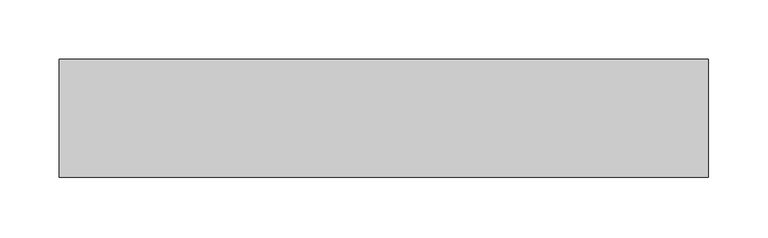
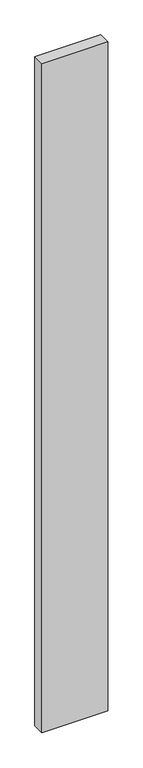
"""IFC4 building model written with IfcOpenShell, lengths in millimetres: proxy geometry."""

from ifc_helpers import new_model, si_unit, frame, origin, place, context, project, spatial, polyline, outline, extrude, source, transform, mapped, element, save


def generic_models_ff9458b3(model_context):
    return source(origin(), model_context, "Body", "SweptSolid", [
        extrude(outline(polyline([(550.0, 100.0), (550.0, 0.0), (0.0, 0.0), (0.0, 100.0), (550.0, 100.0)])), frame((0.0, 0.0, -5900.0), z_axis=(0.0, 0.0, 1.0), x_axis=(1.0, 0.0, 0.0)), (0.0, 0.0, 1.0), 5900.0),
    ])


if __name__ == "__main__":
    model = new_model("IFC4")
    model_context = context("Model", 3, world=origin())
    ifc_project = project(units=[si_unit("LENGTHUNIT", "METRE", prefix="MILLI")], contexts=[model_context])
    site = spatial("IfcSite", under=ifc_project)
    building = spatial("IfcBuilding", under=site)
    placement = place(None, origin())
    generic_models_shape = generic_models_ff9458b3(model_context)
    element("IfcBuildingElementProxy", 1, Name="Generic Models", at=placement, inside=building, context=model_context, shape_type="MappedRepresentation", body=[
        mapped(generic_models_shape, transform((0.0, 0.0, 0.0), x_axis=(1.0, 0.0, 0.0), y_axis=(0.0, 1.0, 0.0), z_axis=(0.0, 0.0, 1.0))),
    ])
    save(model, "model.ifc")
